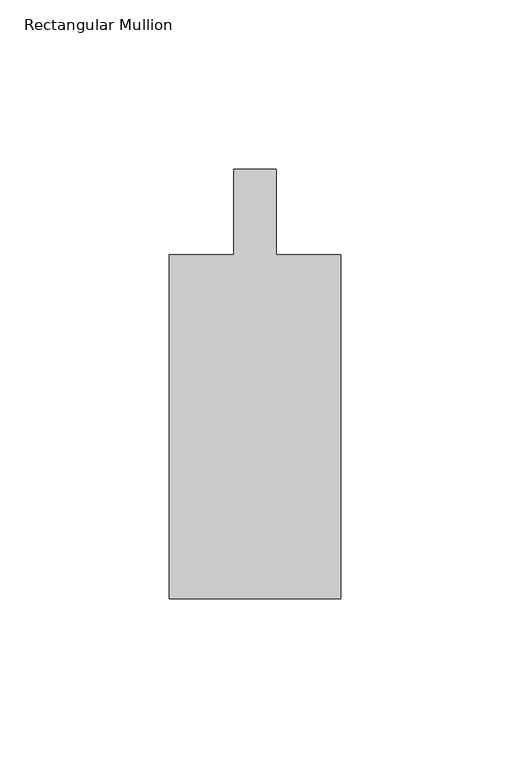
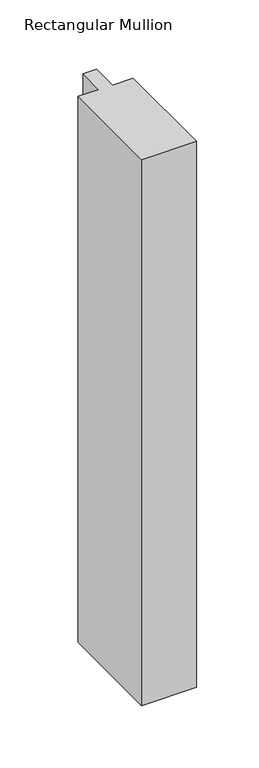
"""IFC4 building model written with IfcOpenShell, lengths in millimetres: member geometry, Rectangular Mullion."""

from ifc_helpers import new_model, si_unit, frame, origin, place, context, project, spatial, polyline, outline, extrude, source, transform, mapped, element, save


def rectangular_mullion_d57d04fa(model_context):
    return source(origin(), model_context, "Body", "SweptSolid", [
        extrude(outline(polyline([(25.4001903, -152.4000274), (-25.3998097, -152.4000274), (-25.3998097, -50.8000274), (-6.3498097, -50.8000274), (-6.3498097, -25.4000549), (6.3498097, -25.4000549), (6.3498097, -50.8000274), (25.4001903, -50.8000274), (25.4001903, -152.4000274)])), frame((0.0, 0.0, -533.4), z_axis=(0.0, 0.0, 1.0), x_axis=(1.0, 0.0, 0.0)), (0.0, 0.0, 1.0), 533.4),
    ])


if __name__ == "__main__":
    model = new_model("IFC4")
    model_context = context("Model", 3, world=origin())
    ifc_project = project(units=[si_unit("LENGTHUNIT", "METRE", prefix="MILLI")], contexts=[model_context])
    site = spatial("IfcSite", under=ifc_project)
    building = spatial("IfcBuilding", under=site)
    placement = place(None, origin())
    rectangular_mullion_shape = rectangular_mullion_d57d04fa(model_context)
    element("IfcMember", 1, ObjectType="Rectangular Mullion", at=placement, inside=building, context=model_context, shape_type="MappedRepresentation", body=[
        mapped(rectangular_mullion_shape, transform((0.0, 0.0, 0.0), x_axis=(1.0, 0.0, 0.0), y_axis=(0.0, 1.0, 0.0), z_axis=(0.0, 0.0, 1.0))),
    ])
    save(model, "model.ifc")
